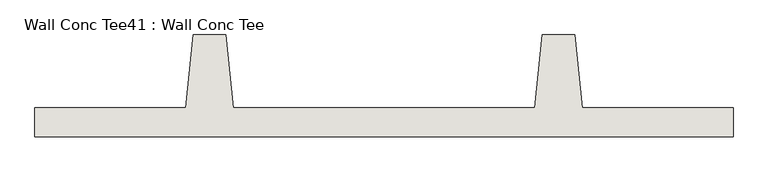
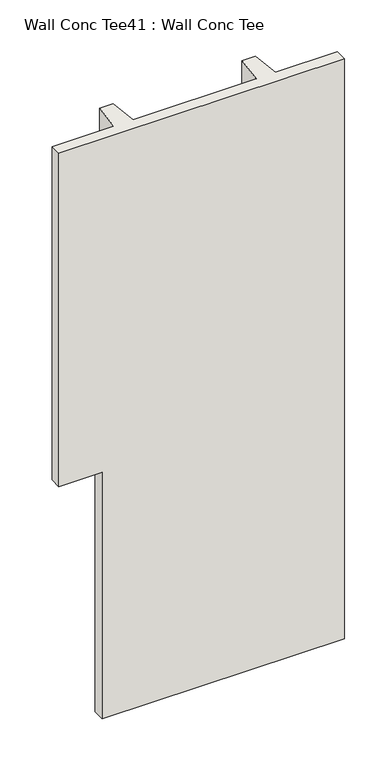
"""IFC4 building model written with IfcOpenShell, lengths in millimetres: wall geometry, Wall Conc Tee41 : Wall Conc Tee."""

from ifc_helpers import new_model, si_unit, origin, place, context, project, spatial, faceted_brep, source, transform, mapped, element, save


def wall_conc_tee41_wall_conc_tee_e99906ee(model_context):
    return source(origin(), model_context, "Body", "Brep", [
        faceted_brep([(234557.0728488, 193104.2596581, 5376.1679688), (234557.0728488, 193205.8596581, 5376.1679688), (234030.0228488, 193205.8596581, 5376.1679688), (234004.6228488, 193459.8596581, 5376.1679688), (233890.3228488, 193459.8596581, 5376.1679688), (233864.9228488, 193205.8596581, 5376.1679688), (232810.8228488, 193205.8596581, 5376.1679688), (232785.4228488, 193459.8596581, 5376.1679688), (232671.1228488, 193459.8596581, 5376.1679688), (232645.7228488, 193205.8596581, 5376.1679688), (232118.6728488, 193205.8596581, 5376.1679688), (232118.6728488, 193104.2596581, 5376.1679688), (232645.7228488, 193205.8596581, 143.7592564), (232671.1228488, 193459.8596581, 143.7592564), (232785.4228488, 193459.8596581, 143.7592564), (232810.8228488, 193205.8596581, 143.7592564), (233864.9228488, 193205.8596581, 143.7592564), (233890.3228488, 193459.8596581, 143.7592564), (234004.6228488, 193459.8596581, 143.7592564), (234030.0228488, 193205.8596581, 143.7592564), (234557.0728488, 193205.8596581, 143.7592564), (234557.0728488, 193104.2596581, 143.7592564), (232486.9728488, 193104.2596581, 143.7592564), (232486.9728488, 193205.8596581, 143.7592564), (232118.6728488, 193104.2596581, 2367.4837828), (232486.9728488, 193104.2596581, 2367.4837828), (232118.6728488, 193205.8596581, 2367.4837828), (232486.9728488, 193205.8596581, 2367.4837828)], [[[0, 1, 2, 3, 4, 5, 6, 7, 8, 9, 10, 11]], [[12, 13, 14, 15, 16, 17, 18, 19, 20, 21, 22, 23]], [[0, 11, 24, 25, 22, 21]], [[11, 10, 26, 24]], [[10, 9, 12, 23, 27, 26]], [[9, 8, 13, 12]], [[8, 7, 14, 13]], [[7, 6, 15, 14]], [[6, 5, 16, 15]], [[5, 4, 17, 16]], [[4, 3, 18, 17]], [[3, 2, 19, 18]], [[2, 1, 20, 19]], [[1, 0, 21, 20]], [[27, 25, 24, 26]], [[25, 27, 23, 22]]]),
    ])


if __name__ == "__main__":
    model = new_model("IFC4")
    model_context = context("Model", 3, world=origin())
    ifc_project = project(units=[si_unit("LENGTHUNIT", "METRE", prefix="MILLI")], contexts=[model_context])
    site = spatial("IfcSite", under=ifc_project)
    building = spatial("IfcBuilding", under=site)
    placement = place(None, origin())
    wall_conc_tee41_wall_conc_tee_shape = wall_conc_tee41_wall_conc_tee_e99906ee(model_context)
    element("IfcWall", 1, ObjectType="Wall Conc Tee41 : Wall Conc Tee", at=placement, inside=building, context=model_context, shape_type="MappedRepresentation", body=[
        mapped(wall_conc_tee41_wall_conc_tee_shape, transform((0.0, 0.0, 0.0), x_axis=(1.0, 0.0, 0.0), y_axis=(0.0, 1.0, 0.0), z_axis=(0.0, 0.0, 1.0))),
    ])
    save(model, "model.ifc")
